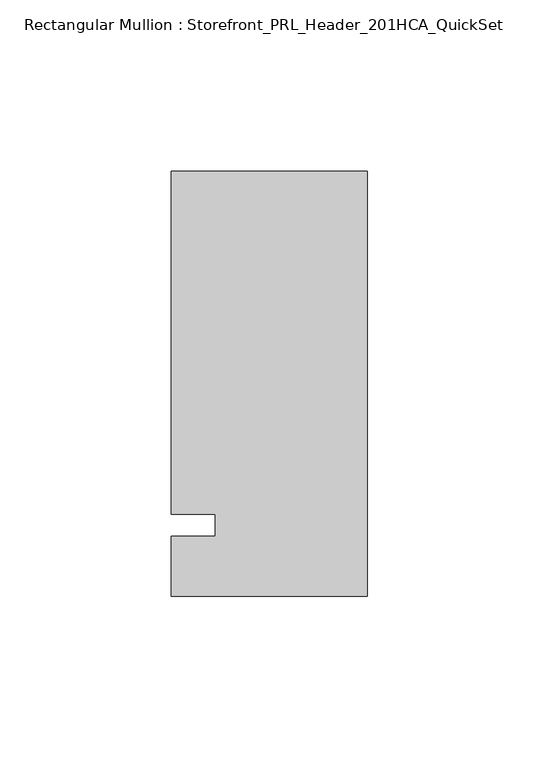
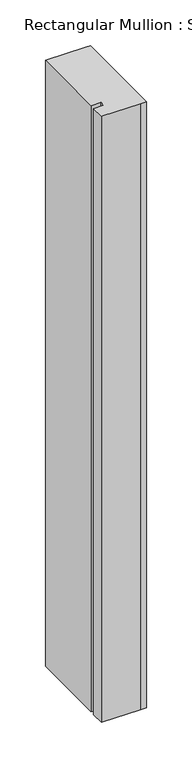
"""IFC4 building model written with IfcOpenShell, lengths in millimetres: member geometry, Rectangular Mullion : Storefront_PRL_Header_201HCA_QuickSet."""

from ifc_helpers import new_model, si_unit, frame, origin, place, context, project, spatial, polyline, outline, extrude, source, transform, mapped, element, save


def rectangular_mullion_storefront_prl_header_201hca_quickset_d2b183d1(model_context):
    return source(origin(), model_context, "Body", "SweptSolid", [
        extrude(outline(polyline([(-44.45, 3.175), (-57.15, 3.175), (-57.15, 103.1875), (-6.35, 103.1875), (0.0, 103.1875), (0.0, -20.6375), (-7.7254924, -20.6375), (-57.15, -20.6375), (-57.15, -3.175), (-44.45, -3.175), (-44.45, 3.175)])), frame((0.0, 0.0, -812.8), z_axis=(0.0, 0.0, 1.0), x_axis=(1.0, 0.0, 0.0)), (0.0, 0.0, 1.0), 812.8),
    ])


if __name__ == "__main__":
    model = new_model("IFC4")
    model_context = context("Model", 3, world=origin())
    ifc_project = project(units=[si_unit("LENGTHUNIT", "METRE", prefix="MILLI")], contexts=[model_context])
    site = spatial("IfcSite", under=ifc_project)
    building = spatial("IfcBuilding", under=site)
    placement = place(None, origin())
    rectangular_mullion_storefront_prl_header_201hca_quickset_shape = rectangular_mullion_storefront_prl_header_201hca_quickset_d2b183d1(model_context)
    element("IfcMember", 1, ObjectType="Rectangular Mullion : Storefront_PRL_Header_201HCA_QuickSet", at=placement, inside=building, context=model_context, shape_type="MappedRepresentation", body=[
        mapped(rectangular_mullion_storefront_prl_header_201hca_quickset_shape, transform((0.0, 0.0, 0.0), x_axis=(1.0, 0.0, 0.0), y_axis=(0.0, 1.0, 0.0), z_axis=(0.0, 0.0, 1.0))),
    ])
    save(model, "model.ifc")
